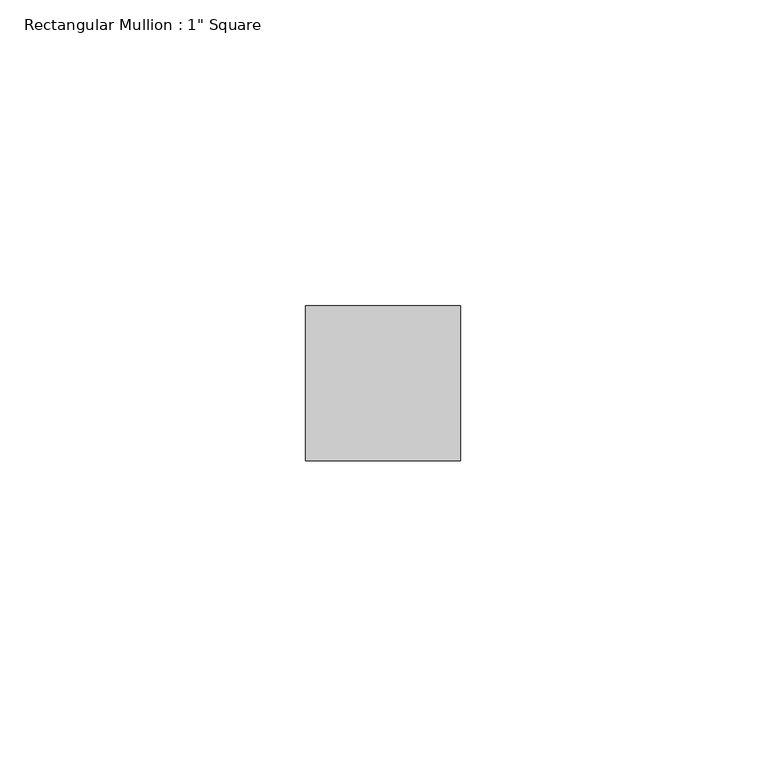
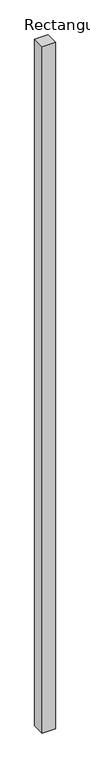
"""IFC4 building model written with IfcOpenShell, lengths in millimetres: member geometry."""

from ifc_helpers import new_model, si_unit, frame, origin, place, context, project, spatial, polyline, outline, extrude, source, transform, mapped, element, save


def member_3258827f(model_context):
    return source(origin(), model_context, "Body", "SweptSolid", [
        extrude(outline(polyline([(0.0, 12.7), (0.0, -12.7), (-25.4, -12.7), (-25.4, 12.7), (0.0, 12.7)])), frame((0.0, 0.0, -1406.525), z_axis=(0.0, 0.0, 1.0), x_axis=(1.0, 0.0, 0.0)), (0.0, 0.0, 1.0), 1406.525),
    ])


if __name__ == "__main__":
    model = new_model("IFC4")
    model_context = context("Model", 3, world=origin())
    ifc_project = project(units=[si_unit("LENGTHUNIT", "METRE", prefix="MILLI")], contexts=[model_context])
    site = spatial("IfcSite", under=ifc_project)
    building = spatial("IfcBuilding", under=site)
    placement = place(None, origin())
    member_shape = member_3258827f(model_context)
    element("IfcMember", 1, ObjectType="Rectangular Mullion : 1\" Square", at=placement, inside=building, context=model_context, shape_type="MappedRepresentation", body=[
        mapped(member_shape, transform((0.0, 0.0, 0.0), x_axis=(1.0, 0.0, 0.0), y_axis=(0.0, 1.0, 0.0), z_axis=(0.0, 0.0, 1.0))),
    ])
    save(model, "model.ifc")
